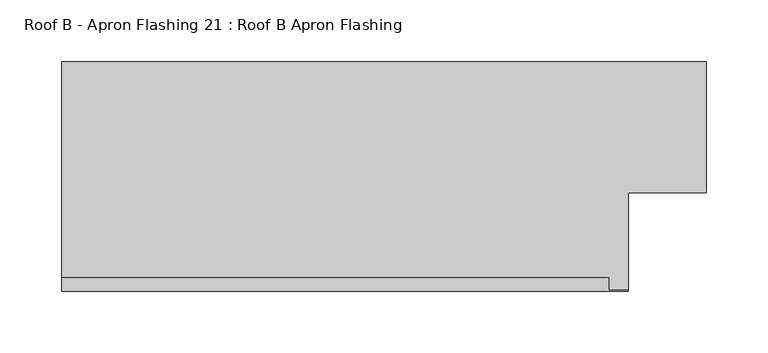
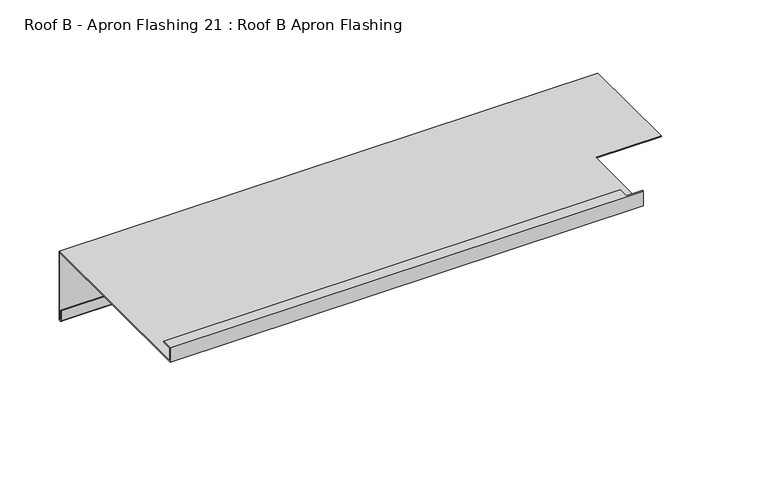
"""IFC4 building model written with IfcOpenShell, lengths in millimetres: proxy geometry, Roof B - Apron Flashing 21 : Roof B Apron Flashing."""

from ifc_helpers import new_model, si_unit, frame, origin, place, context, project, spatial, polyline, circle_curve, source, transform, mapped, element, save
from ifc_brep_helpers import plane_surface, cylinder_surface, revolved_surface, advanced_brep


def roof_b_apron_flashing_21_roof_b_apron_flashing_886c293c(model_context):
    return source(origin(), model_context, "Body", "AdvancedBrep", [
        advanced_brep(
        [(16290.7910961, 5655.8026399, -986.662203), (16290.7910961, 5655.8026399, -1055.0764166), (16290.7910961, 5654.8026399, -1055.0764166), (16290.7910961, 5654.8026399, -1045.1233066), (16290.7910961, 5653.8026399, -1045.1233066), (16290.7910961, 5653.8026399, -1055.0764166), (16290.7910961, 5656.8026399, -1055.0764166), (16290.7910961, 5656.8026399, -985.662203), (16290.7910961, 5550.3594915, -985.662203), (16290.7910961, 5550.3594915, -986.662203), (15767.4791786, 5656.8026399, -985.662203), (15767.4791786, 5656.8026399, -1055.0764166), (15767.4791786, 5653.8026399, -1055.0764166), (15767.4791786, 5653.8026399, -1045.1233066), (15767.4791786, 5654.8026399, -1045.1233066), (15767.4791786, 5654.8026399, -1055.0764166), (15767.4791786, 5655.8026399, -1055.0764166), (15767.4791786, 5655.8026399, -986.662203), (15767.4791786, 5470.3615096, -986.662203), (15767.4791786, 5470.3615096, -971.662203), (15767.4791786, 5481.3998223, -971.662203), (15767.4791786, 5481.3998223, -972.662203), (15767.4791786, 5471.3615096, -972.662203), (15767.4791786, 5471.3615096, -985.662203), (16227.4791786, 5471.3615096, -985.662203), (16227.4791786, 5550.3594915, -985.662203), (16227.4791786, 5550.3594915, -986.662203), (16227.4791786, 5470.3615096, -986.662203), (16211.3516031, 5471.3615096, -972.662203), (16211.3516031, 5471.3615096, -971.662203), (16227.4791786, 5471.3615096, -971.662203), (16211.3516031, 5481.3998223, -972.662203), (16211.3516031, 5481.3998223, -971.662203), (16227.4791786, 5470.3615096, -971.662203)],
        [
            (0, 1),
            (1, 2, circle_curve(frame((16290.7910961, 5655.3026399, -1055.0764166), z_axis=(-1.0, 0.0, 0.0), x_axis=(0.0, 0.0, 1.0)), 0.5)),
            (2, 3),
            (3, 4),
            (4, 5),
            (5, 6, circle_curve(frame((16290.7910961, 5655.3026399, -1055.0764166), z_axis=(1.0, 0.0, 0.0), x_axis=(0.0, 0.0, 1.0)), 1.5)),
            (6, 7),
            (7, 8),
            (8, 9),
            (9, 0),
            (10, 11),
            (11, 12, circle_curve(frame((15767.4791786, 5655.3026399, -1055.0764166), z_axis=(-1.0, 0.0, 0.0), x_axis=(0.0, 0.0, 1.0)), 1.5)),
            (12, 13),
            (13, 14),
            (14, 15),
            (15, 16, circle_curve(frame((15767.4791786, 5655.3026399, -1055.0764166), z_axis=(1.0, 0.0, 0.0), x_axis=(0.0, 0.0, 1.0)), 0.5)),
            (16, 17),
            (17, 18),
            (18, 19),
            (19, 20),
            (20, 21),
            (21, 22),
            (22, 23),
            (23, 10),
            (23, 24),
            (24, 25),
            (25, 8),
            (7, 10),
            (17, 0),
            (9, 26),
            (26, 27),
            (27, 18),
            (16, 1),
            (6, 11),
            (22, 28),
            (28, 29),
            (29, 30),
            (30, 24),
            (21, 31),
            (31, 28),
            (20, 32),
            (32, 31),
            (19, 33),
            (33, 30),
            (29, 32),
            (27, 33),
            (15, 2),
            (14, 3),
            (13, 4),
            (12, 5),
            (26, 25),
        ],
        [
            plane_surface(frame((16290.7910961, 5462.3294164, -1042.7388515), z_axis=(1.0, 0.0, 0.0), x_axis=(0.0, 1.0, 0.0))),
            plane_surface(frame((15767.4791786, 5462.3294164, -1042.7388515), z_axis=(-1.0, 0.0, 0.0), x_axis=(0.0, 1.0, 0.0))),
            plane_surface(frame((16290.7910961, 5656.8026399, -985.662203), z_axis=(0.0, 0.0, 1.0), x_axis=(-1.0, 0.0, 0.0))),
            plane_surface(frame((16290.7910961, 5470.3615096, -986.662203), z_axis=(0.0, 0.0, -1.0), x_axis=(-1.0, 0.0, 0.0))),
            plane_surface(frame((16290.7910961, 5655.8026399, -986.662203), z_axis=(0.0, -1.0, 0.0), x_axis=(-1.0, 0.0, 0.0))),
            plane_surface(frame((16290.7910961, 5656.8026399, -1055.0764166), z_axis=(0.0, 1.0, 0.0), x_axis=(-1.0, 0.0, 0.0))),
            plane_surface(frame((16290.7910961, 5471.3615096, -985.662203), z_axis=(0.0, 1.0, 0.0), x_axis=(-1.0, 0.0, 0.0))),
            plane_surface(frame((16290.7910961, 5471.3615096, -972.662203), z_axis=(0.0, 0.0, -1.0), x_axis=(-1.0, 0.0, 0.0))),
            plane_surface(frame((16290.7910961, 5481.3998223, -972.662203), z_axis=(0.0, 1.0, 0.0), x_axis=(-1.0, 0.0, 0.0))),
            plane_surface(frame((16290.7910961, 5481.3998223, -971.662203), z_axis=(0.0, 0.0, 1.0), x_axis=(-1.0, 0.0, 0.0))),
            plane_surface(frame((16290.7910961, 5470.3615096, -971.662203), z_axis=(0.0, -1.0, 0.0), x_axis=(-1.0, 0.0, 0.0))),
            revolved_surface(polyline([(15767.4791786, 5655.3026399, -1054.5764166), (16290.7910961, 5655.3026399, -1054.5764166)]), (16290.7910961, 5655.3026399, -1055.0764166), (-1.0, 0.0, 0.0)),
            plane_surface(frame((16290.7910961, 5654.8026399, -1055.0764166), z_axis=(0.0, 1.0, 0.0), x_axis=(-1.0, 0.0, 0.0))),
            plane_surface(frame((16290.7910961, 5654.8026399, -1045.1233066), z_axis=(0.0, 0.0, 1.0), x_axis=(-1.0, 0.0, 0.0))),
            plane_surface(frame((16290.7910961, 5653.8026399, -1045.1233066), z_axis=(0.0, -1.0, 0.0), x_axis=(-1.0, 0.0, 0.0))),
            cylinder_surface(frame((16290.7910961, 5655.3026399, -1055.0764166), z_axis=(1.0, 0.0, 0.0), x_axis=(0.0, 0.0, 1.0)), 1.5),
            plane_surface(frame((16227.4791786, 5550.3594915, -1079.9089722), z_axis=(1.0, 0.0, 0.0), x_axis=(0.0, -0.9659258262890683, 0.25881904510252074))),
            plane_surface(frame((16227.4791786, 5550.3594915, -852.4830665), z_axis=(0.0, -1.0, 0.0), x_axis=(1.0, 0.0, 0.0))),
            plane_surface(frame((16211.3516031, 5471.3615603, -884.3834078), z_axis=(1.0, 0.0, 0.0), x_axis=(0.0, 0.0, -1.0))),
        ],
        [
            (0, [[1, 2, 3, 4, 5, 6, 7, 8, 9, 10]]),
            (1, [[11, 12, 13, 14, 15, 16, 17, 18, 19, 20, 21, 22, 23, 24]]),
            (2, [[-24, 25, 26, 27, -8, 28]]),
            (3, [[-18, 29, -10, 30, 31, 32]]),
            (4, [[-1, -29, -17, 33]]),
            (5, [[-7, 34, -11, -28]]),
            (6, [[-23, 35, 36, 37, 38, -25]]),
            (7, [[-22, 39, 40, -35]]),
            (8, [[-21, 41, 42, -39]]),
            (9, [[-20, 43, 44, -37, 45, -41]]),
            (10, [[-19, -32, 46, -43]]),
            (11, [[-2, -33, -16, 47]]),
            (12, [[-3, -47, -15, 48]]),
            (13, [[-4, -48, -14, 49]]),
            (14, [[-5, -49, -13, 50]]),
            (15, [[-6, -50, -12, -34]]),
            (16, [[51, -26, -38, -44, -46, -31]]),
            (17, [[-51, -30, -9, -27]]),
            (18, [[-36, -40, -42, -45]]),
        ],
    ),
    ])


if __name__ == "__main__":
    model = new_model("IFC4")
    model_context = context("Model", 3, world=origin())
    ifc_project = project(units=[si_unit("LENGTHUNIT", "METRE", prefix="MILLI")], contexts=[model_context])
    site = spatial("IfcSite", under=ifc_project)
    building = spatial("IfcBuilding", under=site)
    placement = place(None, origin())
    roof_b_apron_flashing_21_roof_b_apron_flashing_shape = roof_b_apron_flashing_21_roof_b_apron_flashing_886c293c(model_context)
    element("IfcBuildingElementProxy", 1, Name="Roof B - Apron Flashing 21 : Roof B Apron Flashing", ObjectType="Roof B - Apron Flashing 21 : Roof B Apron Flashing", at=placement, inside=building, context=model_context, shape_type="MappedRepresentation", body=[
        mapped(roof_b_apron_flashing_21_roof_b_apron_flashing_shape, transform((0.0, 0.0, 0.0), x_axis=(1.0, 0.0, 0.0), y_axis=(0.0, 1.0, 0.0), z_axis=(0.0, 0.0, 1.0))),
    ])
    save(model, "model.ifc")
